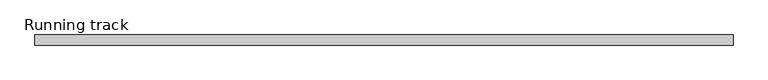
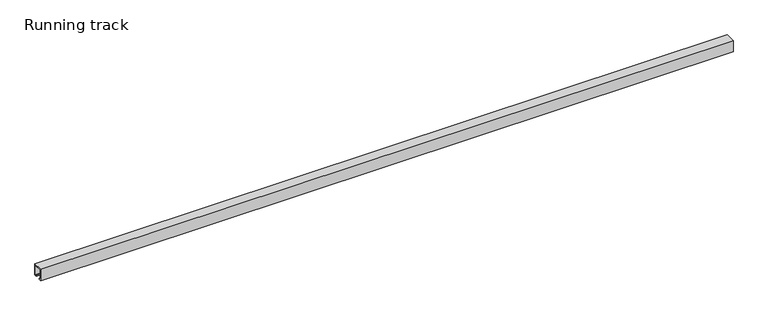
"""IFC4 building model written with IfcOpenShell, lengths in millimetres: proxy geometry, Running track."""

from ifc_helpers import new_model, si_unit, point, frame, frame_2d, origin, origin_with_axes, place, context, project, spatial, polyline, circle_curve, trimmed, segment, composite_curve, outline, extrude, faceted_brep, source, transform, mapped, element, save


def running_track_ad0e0b09(model_context):
    return source(origin(), model_context, "Body", "SolidModel", [
        extrude(outline(composite_curve([segment(trimmed(circle_curve(frame_2d((0.0, 18.67839)), 6.3335878), [point((-6.3335878, 18.67839))], [point((6.3335878, 18.67839))], False, "CARTESIAN"), True, "CONTINUOUS"), segment(trimmed(circle_curve(frame_2d((0.0, 18.67839)), 6.3335878), [point((6.3335878, 18.67839))], [point((-6.3335878, 18.67839))], False, "CARTESIAN"), True, "CONTINUOUS")], self_intersect=False)), frame((2268.0, 0.0, 0.0), z_axis=(1.0, 0.0, 0.0), x_axis=(0.0, 1.0, 0.0)), (0.0, 0.0, 1.0), 4.0),
        faceted_brep([(2314.5, -14.5, 36.5), (2272.0, -14.5, 36.5), (2272.0, -14.5, 3.0), (2314.5, -14.5, 3.0), (2314.5, 14.5, 36.5), (2314.5, 14.5, 3.0), (2272.0, 14.5, 3.0), (2272.0, 14.5, 36.5), (2272.0, 12.531559, 36.5), (2311.9235205, 12.531559, 36.5), (2311.9235205, -12.5, 36.5), (2272.0, -12.5, 36.5), (2272.0, -12.5, 25.3706125), (2272.0, 12.531559, 25.3706125), (2311.9235205, -12.5, 25.3706125), (2311.9235205, 12.531559, 25.3706125)], [[[0, 1, 2, 3]], [[4, 5, 6, 7]], [[1, 0, 4, 7, 8, 9, 10, 11]], [[2, 1, 11, 12, 13, 8, 7, 6]], [[3, 2, 6, 5]], [[0, 3, 5, 4]], [[14, 12, 11, 10]], [[15, 9, 8, 13]], [[15, 14, 10, 9]], [[14, 15, 13, 12]]]),
        extrude(outline(polyline([(2314.5, -12.5), (2270.0024224, -12.5), (2270.0024224, 12.531559), (2314.5, 12.531559), (2314.5, -12.5)])), origin_with_axes(), (0.0, 0.0, 1.0), 3.0),
        extrude(outline(polyline([(36.5, 2257.1109747), (36.5, 2233.4983788), (33.2695661, 2233.4983788), (33.2695661, 2235.332539), (24.3170527, 2310.6793739), (32.9021554, 2310.6793739), (36.5, 2257.1109747)])), frame((0.0, -12.5, 0.0), z_axis=(0.0, 1.0, 0.0), x_axis=(0.0, 0.0, 1.0)), (0.0, 0.0, 1.0), 25.031559),
        extrude(outline(polyline([(17.0, 40.0), (17.0, 0.0), (9.0, 0.0), (9.0, 3.0), (14.0, 3.0), (14.0, 37.0), (-14.0, 37.0), (-14.0, 3.0), (-9.0, 3.0), (-9.0, 0.0), (-17.0, 0.0), (-17.0, 40.0), (17.0, 40.0)])), frame((0.0, 0.0, 0.0), z_axis=(1.0, 0.0, 0.0), x_axis=(0.0, 1.0, 0.0)), (0.0, 0.0, 1.0), 2350.0),
    ])


if __name__ == "__main__":
    model = new_model("IFC4")
    model_context = context("Model", 3, world=origin())
    ifc_project = project(units=[si_unit("LENGTHUNIT", "METRE", prefix="MILLI")], contexts=[model_context])
    site = spatial("IfcSite", under=ifc_project)
    building = spatial("IfcBuilding", under=site)
    placement = place(None, origin())
    running_track_shape = running_track_ad0e0b09(model_context)
    element("IfcBuildingElementProxy", 1, Name="Running track", ObjectType="Running track", at=placement, inside=building, context=model_context, shape_type="MappedRepresentation", body=[
        mapped(running_track_shape, transform((0.0, 0.0, 0.0), x_axis=(1.0, 0.0, 0.0), y_axis=(0.0, 1.0, 0.0), z_axis=(0.0, 0.0, 1.0))),
    ])
    save(model, "model.ifc")
